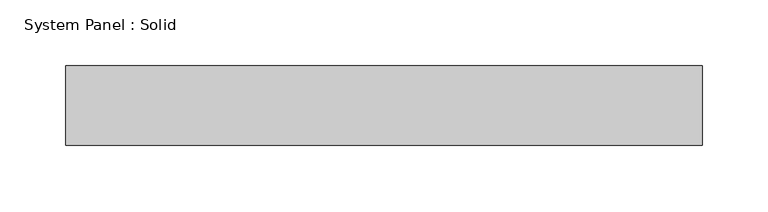
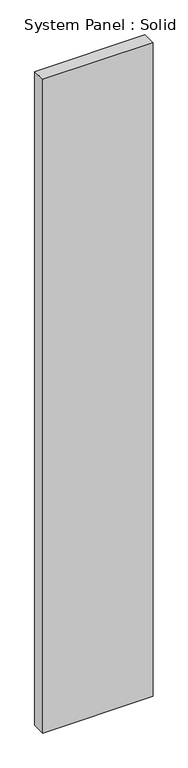
"""IFC4 building model written with IfcOpenShell, lengths in millimetres: plate geometry, System Panel : Solid."""

from ifc_helpers import new_model, si_unit, origin, origin_with_axes, place, context, project, spatial, polyline, outline, extrude, source, transform, mapped, element, save


def system_panel_solid_d21320b3(model_context):
    return source(origin(), model_context, "Body", "SweptSolid", [
        extrude(outline(polyline([(241.3, -10.5), (-241.3, -10.5), (-241.3, 49.5), (241.3, 49.5), (241.3, -10.5)])), origin_with_axes(), (0.0, 0.0, 1.0), 3018.3328001),
    ])


if __name__ == "__main__":
    model = new_model("IFC4")
    model_context = context("Model", 3, world=origin())
    ifc_project = project(units=[si_unit("LENGTHUNIT", "METRE", prefix="MILLI")], contexts=[model_context])
    site = spatial("IfcSite", under=ifc_project)
    building = spatial("IfcBuilding", under=site)
    placement = place(None, origin())
    system_panel_solid_shape = system_panel_solid_d21320b3(model_context)
    element("IfcPlate", 1, ObjectType="System Panel : Solid", at=placement, inside=building, context=model_context, shape_type="MappedRepresentation", body=[
        mapped(system_panel_solid_shape, transform((0.0, 0.0, 0.0), x_axis=(1.0, 0.0, 0.0), y_axis=(0.0, 1.0, 0.0), z_axis=(0.0, 0.0, 1.0))),
    ])
    save(model, "model.ifc")
